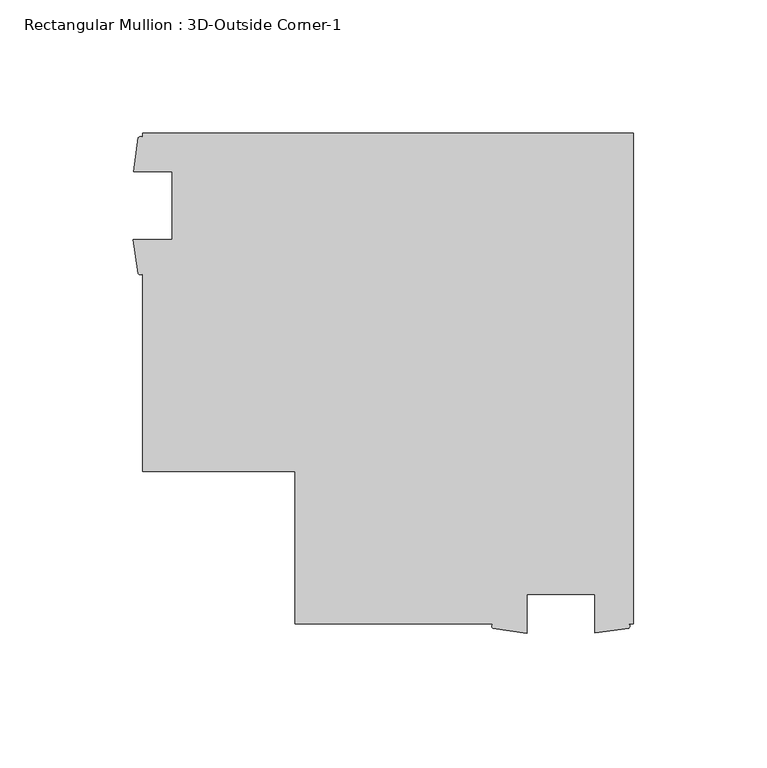
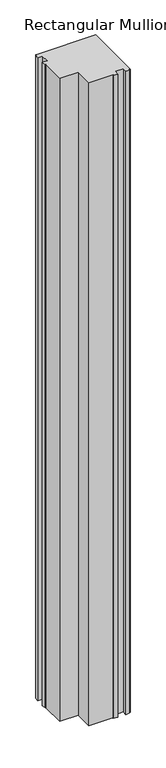
"""IFC4 building model written with IfcOpenShell, lengths in millimetres: member geometry, Rectangular Mullion : 3D-Outside Corner-1."""

from ifc_helpers import new_model, si_unit, point, frame, frame_2d, origin, place, context, project, spatial, polyline, circle_curve, trimmed, segment, composite_curve, outline, extrude, source, transform, mapped, element, save


def rectangular_mullion_3d_outside_corner_1_f19bb446(model_context):
    return source(origin(), model_context, "Body", "SweptSolid", [
        extrude(outline(composite_curve([segment(polyline([(0.0, 53.975), (0.0, -130.175), (-1.7322375, -130.175)]), True, "CONTINUOUS"), segment(trimmed(circle_curve(frame_2d((-2.2266797, -130.9679481)), 0.934473), [point((-1.7322375, -130.175))], [point((-1.7322375, -131.7608963))], False, "CARTESIAN"), True, "CONTINUOUS"), segment(polyline([(-1.7322375, -131.7608963), (-14.503525, -133.571), (-14.503525, -119.0625), (-39.903525, -119.0625), (-39.903525, -133.6945217), (-52.6765778, -131.8384044)]), True, "CONTINUOUS"), segment(trimmed(circle_curve(frame_2d((-52.1290615, -131.0067022)), 0.9957423), [point((-52.6765778, -131.8384044))], [point((-52.6765778, -130.175))], False, "CARTESIAN"), True, "CONTINUOUS"), segment(polyline([(-52.6765778, -130.175), (-127.0, -130.175), (-127.0, -73.025), (-184.15, -73.025), (-184.15, 1.2984222)]), True, "CONTINUOUS"), segment(trimmed(circle_curve(frame_2d((-184.9817022, 1.8693214)), 1.0087886), [point((-184.15, 1.2984222))], [point((-185.8134044, 1.2984222))], False, "CARTESIAN"), True, "CONTINUOUS"), segment(polyline([(-185.8134044, 1.2984222), (-187.6695217, 14.071475), (-173.0375, 14.071475), (-173.0375, 39.471475), (-187.546, 39.471475), (-185.7358963, 52.2427625)]), True, "CONTINUOUS"), segment(trimmed(circle_curve(frame_2d((-184.9429481, 51.7179651)), 0.9508833), [point((-185.7358963, 52.2427625))], [point((-184.15, 52.2427625))], False, "CARTESIAN"), True, "CONTINUOUS"), segment(polyline([(-184.15, 52.2427625), (-184.15, 53.975), (0.0, 53.975)]), True, "CONTINUOUS")], self_intersect=False)), frame((0.0, 0.0, -2101.6515625), z_axis=(0.0, 0.0, 1.0), x_axis=(1.0, 0.0, 0.0)), (0.0, 0.0, 1.0), 2101.6515625),
    ])


if __name__ == "__main__":
    model = new_model("IFC4")
    model_context = context("Model", 3, world=origin())
    ifc_project = project(units=[si_unit("LENGTHUNIT", "METRE", prefix="MILLI")], contexts=[model_context])
    site = spatial("IfcSite", under=ifc_project)
    building = spatial("IfcBuilding", under=site)
    placement = place(None, origin())
    rectangular_mullion_3d_outside_corner_1_shape = rectangular_mullion_3d_outside_corner_1_f19bb446(model_context)
    element("IfcMember", 1, ObjectType="Rectangular Mullion : 3D-Outside Corner-1", at=placement, inside=building, context=model_context, shape_type="MappedRepresentation", body=[
        mapped(rectangular_mullion_3d_outside_corner_1_shape, transform((0.0, 0.0, 0.0), x_axis=(1.0, 0.0, 0.0), y_axis=(0.0, 1.0, 0.0), z_axis=(0.0, 0.0, 1.0))),
    ])
    save(model, "model.ifc")
